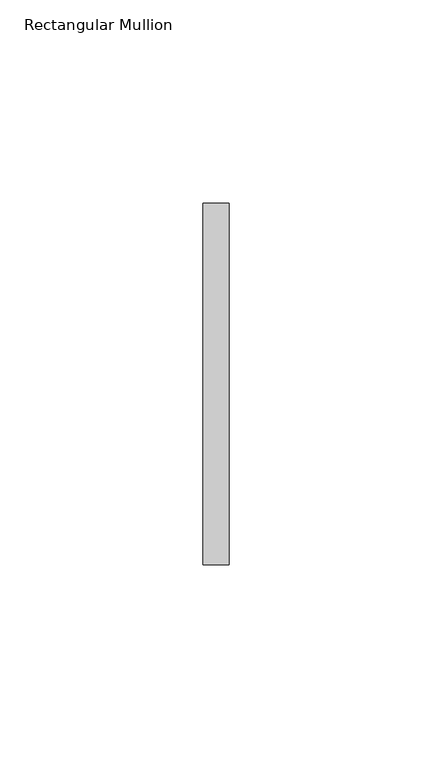
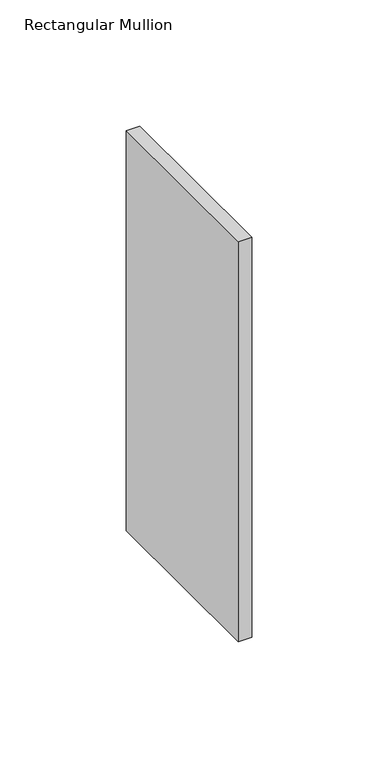
"""IFC4 building model written with IfcOpenShell, lengths in millimetres: member geometry, Rectangular Mullion."""

from ifc_helpers import new_model, si_unit, frame, origin, place, context, project, spatial, polyline, outline, extrude, source, transform, mapped, element, save


def rectangular_mullion_c3f8cb7d(model_context):
    return source(origin(), model_context, "Body", "SweptSolid", [
        extrude(outline(polyline([(0.0, 44.45), (0.0, -44.45), (-6.35, -44.45), (-6.35, 44.45), (0.0, 44.45)])), frame((0.0, 0.0, -193.7117342), z_axis=(0.0, 0.0, 1.0), x_axis=(1.0, 0.0, 0.0)), (0.0, 0.0, 1.0), 193.7117342),
    ])


if __name__ == "__main__":
    model = new_model("IFC4")
    model_context = context("Model", 3, world=origin())
    ifc_project = project(units=[si_unit("LENGTHUNIT", "METRE", prefix="MILLI")], contexts=[model_context])
    site = spatial("IfcSite", under=ifc_project)
    building = spatial("IfcBuilding", under=site)
    placement = place(None, origin())
    rectangular_mullion_shape = rectangular_mullion_c3f8cb7d(model_context)
    element("IfcMember", 1, ObjectType="Rectangular Mullion", at=placement, inside=building, context=model_context, shape_type="MappedRepresentation", body=[
        mapped(rectangular_mullion_shape, transform((0.0, 0.0, 0.0), x_axis=(1.0, 0.0, 0.0), y_axis=(0.0, 1.0, 0.0), z_axis=(0.0, 0.0, 1.0))),
    ])
    save(model, "model.ifc")
